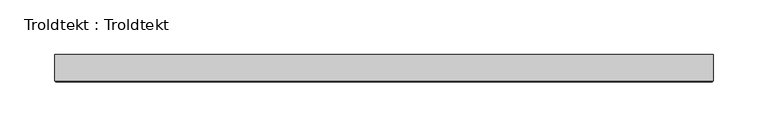
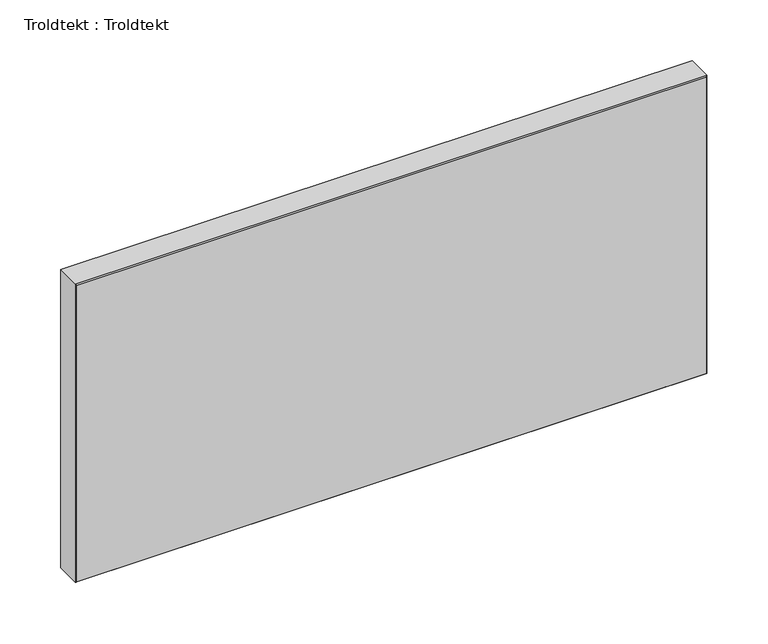
"""IFC4 building model written with IfcOpenShell, lengths in millimetres: proxy geometry, Troldtekt : Troldtekt."""

from ifc_helpers import new_model, si_unit, origin, place, context, project, spatial, faceted_brep, source, transform, mapped, element, save


def troldtekt_troldtekt_da63a05d(model_context):
    return source(origin(), model_context, "Body", "Brep", [
        faceted_brep([(-300.0, 12.5, 300.0), (-300.0, -11.495044, 300.0), (300.0, -11.495044, 300.0), (300.0, 12.5, 300.0), (300.0, 12.5, 0.0), (300.0, -11.495044, 0.0), (-300.0, -11.495044, 0.0), (-300.0, 12.5, 0.0), (-298.995044, -12.5, 1.004956), (298.995044, -12.5, 1.004956), (298.995044, -12.5, 298.995044), (-298.995044, -12.5, 298.995044)], [[[0, 1, 2, 3]], [[4, 5, 6, 7]], [[8, 9, 10, 11]], [[7, 6, 1, 0]], [[3, 4, 7, 0]], [[3, 2, 5, 4]], [[8, 11, 1, 6]], [[6, 5, 9, 8]], [[5, 2, 10, 9]], [[2, 1, 11, 10]]]),
    ])


if __name__ == "__main__":
    model = new_model("IFC4")
    model_context = context("Model", 3, world=origin())
    ifc_project = project(units=[si_unit("LENGTHUNIT", "METRE", prefix="MILLI")], contexts=[model_context])
    site = spatial("IfcSite", under=ifc_project)
    building = spatial("IfcBuilding", under=site)
    placement = place(None, origin())
    troldtekt_troldtekt_shape = troldtekt_troldtekt_da63a05d(model_context)
    element("IfcBuildingElementProxy", 1, Name="Troldtekt : Troldtekt", ObjectType="Troldtekt : Troldtekt", at=placement, inside=building, context=model_context, shape_type="MappedRepresentation", body=[
        mapped(troldtekt_troldtekt_shape, transform((0.0, 0.0, 0.0), x_axis=(1.0, 0.0, 0.0), y_axis=(0.0, 1.0, 0.0), z_axis=(0.0, 0.0, 1.0))),
    ])
    save(model, "model.ifc")
